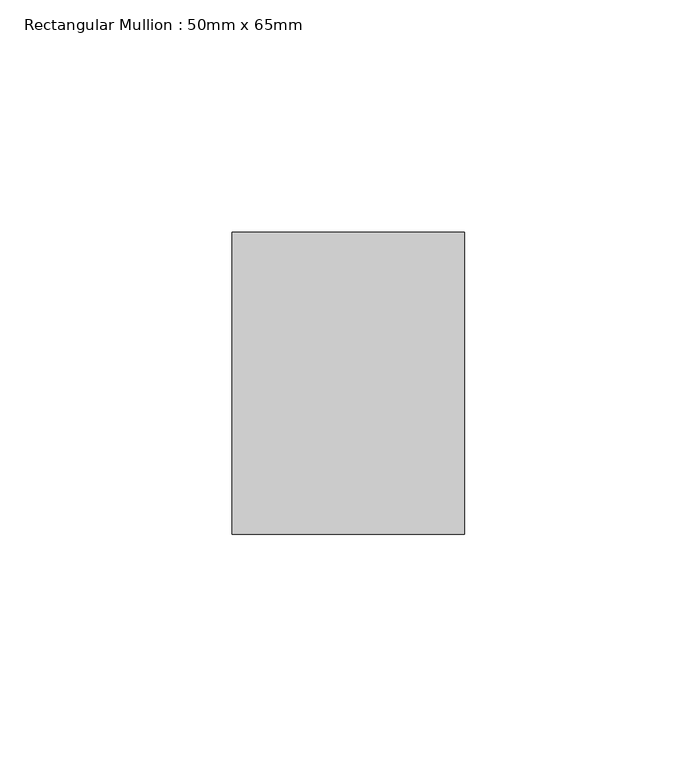
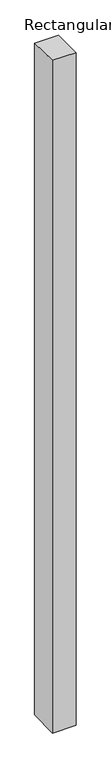
"""IFC4 building model written with IfcOpenShell, lengths in millimetres: member geometry, Rectangular Mullion : 50mm x 65mm."""

from ifc_helpers import new_model, si_unit, origin, place, context, project, spatial, faceted_brep, source, transform, mapped, element, save


def rectangular_mullion_50mm_x_65mm_acd78a87(model_context):
    return source(origin(), model_context, "Body", "Brep", [
        faceted_brep([(-25.0, 32.5, -0.4518141), (25.0, 32.5, -0.4518146), (25.0, 32.5, -1499.4318456), (-25.0, 32.5, -1499.4318464), (-25.0, -32.5, 0.4518146), (-25.0, -32.5, -1500.5684852), (25.0, -32.5, 0.4518141), (25.0, -32.5, -1500.5684845)], [[[0, 1, 2, 3]], [[4, 0, 3, 5]], [[6, 4, 5, 7]], [[1, 6, 7, 2]], [[1, 0, 4, 6]], [[2, 7, 5, 3]]]),
    ])


if __name__ == "__main__":
    model = new_model("IFC4")
    model_context = context("Model", 3, world=origin())
    ifc_project = project(units=[si_unit("LENGTHUNIT", "METRE", prefix="MILLI")], contexts=[model_context])
    site = spatial("IfcSite", under=ifc_project)
    building = spatial("IfcBuilding", under=site)
    placement = place(None, origin())
    rectangular_mullion_50mm_x_65mm_shape = rectangular_mullion_50mm_x_65mm_acd78a87(model_context)
    element("IfcMember", 1, ObjectType="Rectangular Mullion : 50mm x 65mm", at=placement, inside=building, context=model_context, shape_type="MappedRepresentation", body=[
        mapped(rectangular_mullion_50mm_x_65mm_shape, transform((0.0, 0.0, 0.0), x_axis=(1.0, 0.0, 0.0), y_axis=(0.0, 1.0, 0.0), z_axis=(0.0, 0.0, 1.0))),
    ])
    save(model, "model.ifc")
